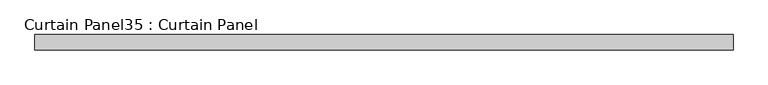
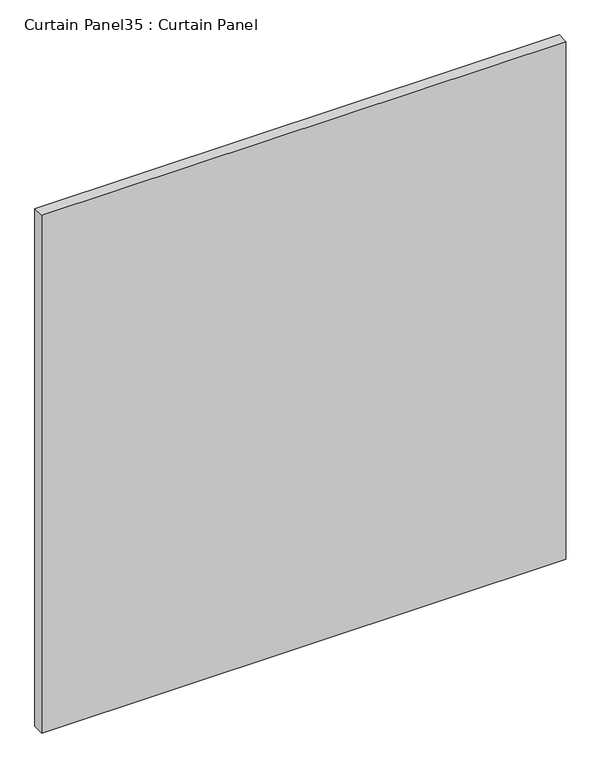
"""IFC4 building model written with IfcOpenShell, lengths in millimetres: plate geometry, Curtain Panel35 : Curtain Panel."""

from ifc_helpers import new_model, si_unit, frame, origin, place, context, project, spatial, polyline, outline, extrude, source, transform, mapped, element, save


def curtain_panel35_curtain_panel_d92d44df(model_context):
    return source(origin(), model_context, "Body", "SweptSolid", [
        extrude(outline(polyline([(-413843.5652248, 3483.7345246), (-414992.6981234, 3483.7345246), (-414992.6981234, 3509.1345246), (-413843.5652248, 3509.1345246), (-413843.5652248, 3483.7345246)])), frame((0.0, 0.0, 1228.7251132), z_axis=(0.0, 0.0, 1.0), x_axis=(1.0, 0.0, 0.0)), (0.0, 0.0, 1.0), 1200.1497736),
    ])


if __name__ == "__main__":
    model = new_model("IFC4")
    model_context = context("Model", 3, world=origin())
    ifc_project = project(units=[si_unit("LENGTHUNIT", "METRE", prefix="MILLI")], contexts=[model_context])
    site = spatial("IfcSite", under=ifc_project)
    building = spatial("IfcBuilding", under=site)
    placement = place(None, origin())
    curtain_panel35_curtain_panel_shape = curtain_panel35_curtain_panel_d92d44df(model_context)
    element("IfcPlate", 1, ObjectType="Curtain Panel35 : Curtain Panel", at=placement, inside=building, context=model_context, shape_type="MappedRepresentation", body=[
        mapped(curtain_panel35_curtain_panel_shape, transform((0.0, 0.0, 0.0), x_axis=(1.0, 0.0, 0.0), y_axis=(0.0, 1.0, 0.0), z_axis=(0.0, 0.0, 1.0))),
    ])
    save(model, "model.ifc")
